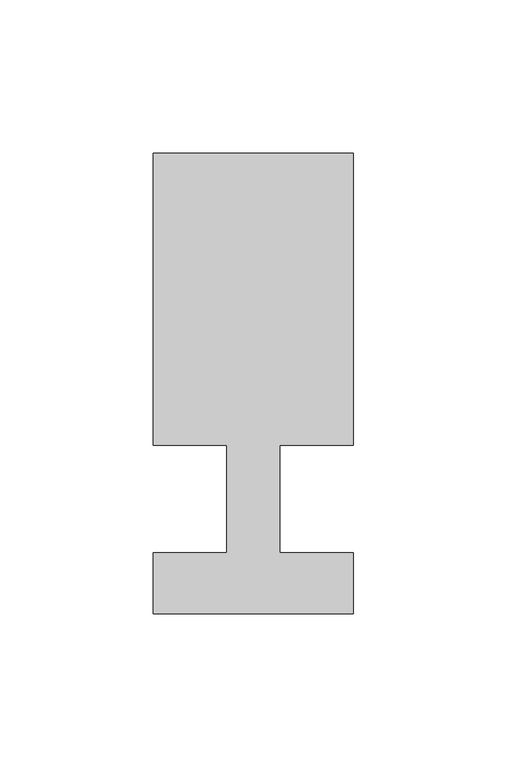
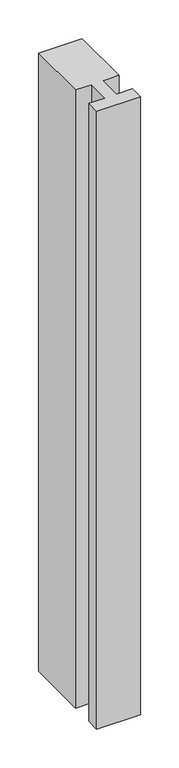
"""IFC4 building model written with IfcOpenShell, lengths in millimetres: member geometry."""

from ifc_helpers import new_model, si_unit, frame, origin, place, context, project, spatial, polyline, outline, extrude, source, transform, mapped, element, save


def member_11226ad6(model_context):
    return source(origin(), model_context, "Body", "SweptSolid", [
        extrude(outline(polyline([(-65.0, -37.0), (-65.0, -17.0), (-41.1875, -17.0), (-41.1875, 18.0), (-65.0, 18.0), (-65.0, 113.0), (0.0, 113.0), (0.0, 18.0), (-23.8125, 18.0), (-23.8125, -17.0), (0.0, -17.0), (0.0, -37.0), (-65.0, -37.0)])), frame((0.0, 0.0, -972.5), z_axis=(0.0, 0.0, 1.0), x_axis=(1.0, 0.0, 0.0)), (0.0, 0.0, 1.0), 972.5),
    ])


if __name__ == "__main__":
    model = new_model("IFC4")
    model_context = context("Model", 3, world=origin())
    ifc_project = project(units=[si_unit("LENGTHUNIT", "METRE", prefix="MILLI")], contexts=[model_context])
    site = spatial("IfcSite", under=ifc_project)
    building = spatial("IfcBuilding", under=site)
    placement = place(None, origin())
    member_shape = member_11226ad6(model_context)
    element("IfcMember", 1, at=placement, inside=building, context=model_context, shape_type="MappedRepresentation", body=[
        mapped(member_shape, transform((0.0, 0.0, 0.0), x_axis=(1.0, 0.0, 0.0), y_axis=(0.0, 1.0, 0.0), z_axis=(0.0, 0.0, 1.0))),
    ])
    save(model, "model.ifc")
